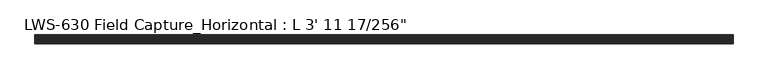
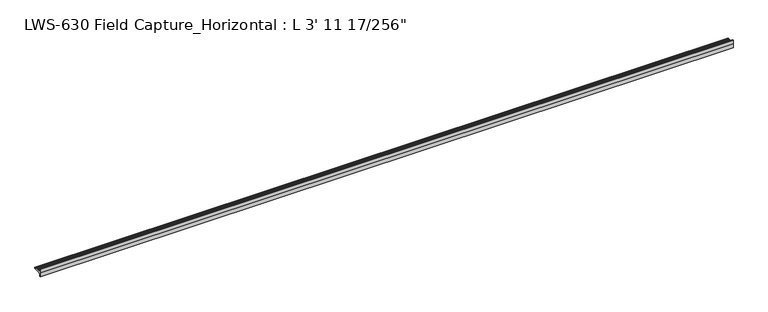
"""IFC4 building model written with IfcOpenShell, lengths in millimetres: proxy geometry."""

from ifc_helpers import new_model, si_unit, frame, origin, place, context, project, spatial, polyline, outline, extrude, source, transform, mapped, element, save


def proxy_451f6964(model_context):
    return source(origin(), model_context, "Body", "SweptSolid", [
        extrude(outline(polyline([(0.0, 5.7785), (-0.837652, 5.5063304), (-1.6347039, 5.7603304), (-2.4164355, 5.5063304), (-3.2134874, 5.7603304), (-3.9952191, 5.5063304), (-4.792271, 5.7603304), (-5.5740026, 5.5063304), (-6.3710545, 5.7603304), (-7.1527861, 5.5063304), (-7.9498381, 5.7603304), (-8.7315697, 5.5063304), (-9.5286216, 5.7603304), (-10.3103532, 5.5063304), (-11.1074051, 5.7603304), (-11.8891368, 5.5063304), (-12.6861887, 5.7603304), (-13.4679203, 5.5063304), (-14.2875, 5.5063304), (-14.2875, 0.0), (-15.5575, 0.0), (-15.5575, 6.985), (-15.5575, 13.97), (-14.2875, 13.97), (-14.2875, 8.4455), (-13.4679203, 8.4455), (-12.6861887, 8.1915), (-11.8891368, 8.4455), (-11.1074051, 8.1915), (-10.3103532, 8.4455), (-9.5286216, 8.1915), (-8.7315697, 8.4455), (-7.9498381, 8.1915), (-7.1527861, 8.4455), (-6.3710545, 8.1915), (-5.5740026, 8.4455), (-4.792271, 8.1915), (-3.9952191, 8.4455), (-3.2134874, 8.1915), (-2.4164355, 8.4455), (-1.6347039, 8.1915), (-0.837652, 8.4455), (0.0, 8.1733304), (0.0, 5.7785)])), frame((0.0, 0.0, 0.0), z_axis=(1.0, 0.0, 0.0), x_axis=(0.0, 1.0, 0.0)), (0.0, 0.0, 1.0), 1195.4867187),
    ])


if __name__ == "__main__":
    model = new_model("IFC4")
    model_context = context("Model", 3, world=origin())
    ifc_project = project(units=[si_unit("LENGTHUNIT", "METRE", prefix="MILLI")], contexts=[model_context])
    site = spatial("IfcSite", under=ifc_project)
    building = spatial("IfcBuilding", under=site)
    placement = place(None, origin())
    proxy_shape = proxy_451f6964(model_context)
    element("IfcBuildingElementProxy", 1, Name="LWS-630 Field Capture_Horizontal : L 3' 11 17/256\"", ObjectType="LWS-630 Field Capture_Horizontal : L 3' 11 17/256\"", at=placement, inside=building, context=model_context, shape_type="MappedRepresentation", body=[
        mapped(proxy_shape, transform((0.0, 0.0, 0.0), x_axis=(1.0, 0.0, 0.0), y_axis=(0.0, 1.0, 0.0), z_axis=(0.0, 0.0, 1.0))),
    ])
    save(model, "model.ifc")
